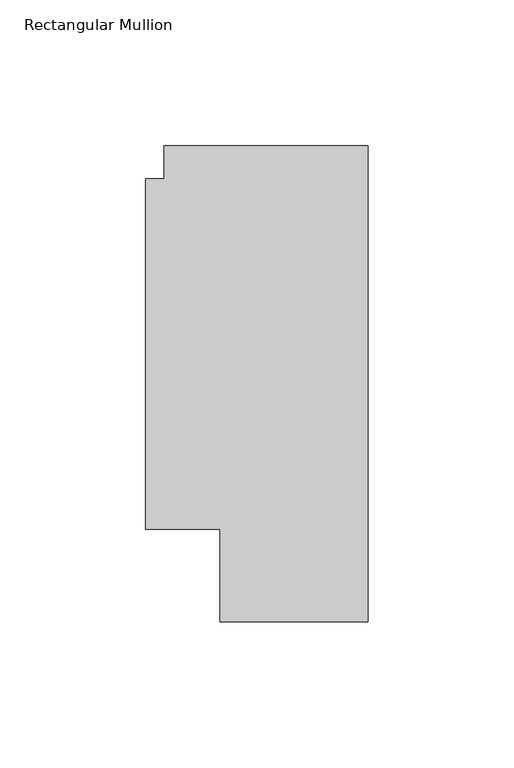
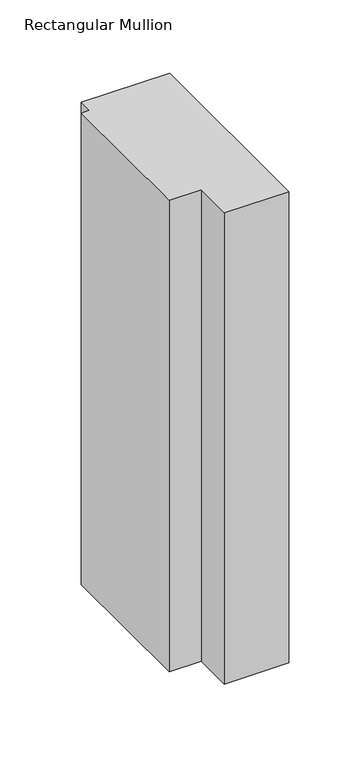
"""IFC4 building model written with IfcOpenShell, lengths in millimetres: member geometry, Rectangular Mullion."""

from ifc_helpers import new_model, si_unit, frame, origin, place, context, project, spatial, polyline, outline, extrude, source, transform, mapped, element, save


def rectangular_mullion_cc35c4e2(model_context):
    return source(origin(), model_context, "Body", "SweptSolid", [
        extrude(outline(polyline([(-69.85, 163.068), (0.0, 163.068), (0.0, 0.0), (-50.7999999, 0.0), (-50.7999999, 31.75), (-76.1999999, 31.75), (-76.1999999, 151.892), (-69.85, 151.892), (-69.85, 163.068)])), frame((0.0, 0.0, -393.7), z_axis=(0.0, 0.0, 1.0), x_axis=(1.0, 0.0, 0.0)), (0.0, 0.0, 1.0), 393.7),
    ])


if __name__ == "__main__":
    model = new_model("IFC4")
    model_context = context("Model", 3, world=origin())
    ifc_project = project(units=[si_unit("LENGTHUNIT", "METRE", prefix="MILLI")], contexts=[model_context])
    site = spatial("IfcSite", under=ifc_project)
    building = spatial("IfcBuilding", under=site)
    placement = place(None, origin())
    rectangular_mullion_shape = rectangular_mullion_cc35c4e2(model_context)
    element("IfcMember", 1, ObjectType="Rectangular Mullion", at=placement, inside=building, context=model_context, shape_type="MappedRepresentation", body=[
        mapped(rectangular_mullion_shape, transform((0.0, 0.0, 0.0), x_axis=(1.0, 0.0, 0.0), y_axis=(0.0, 1.0, 0.0), z_axis=(0.0, 0.0, 1.0))),
    ])
    save(model, "model.ifc")
